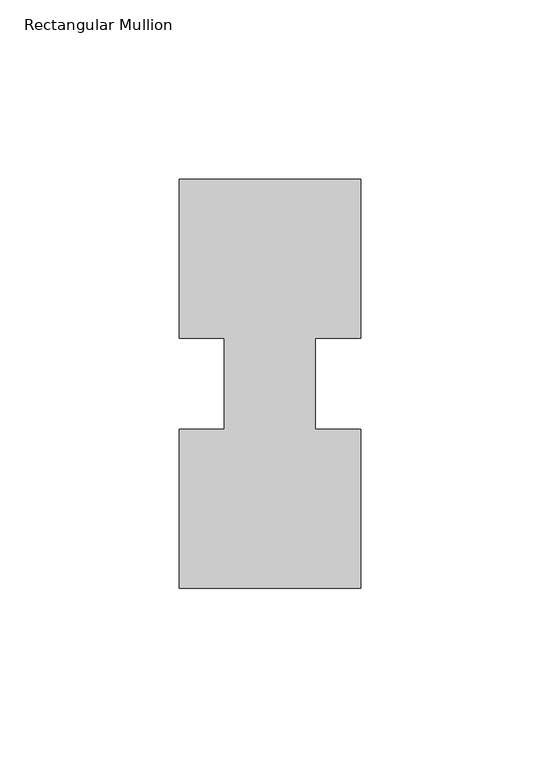
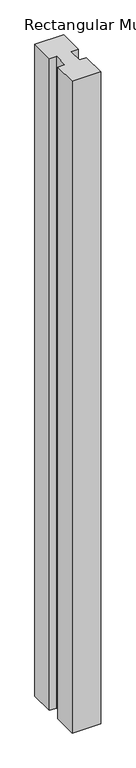
"""IFC4 building model written with IfcOpenShell, lengths in millimetres: member geometry, Rectangular Mullion."""

from ifc_helpers import new_model, si_unit, frame, origin, place, context, project, spatial, polyline, outline, extrude, source, transform, mapped, element, save


def rectangular_mullion_62911961(model_context):
    return source(origin(), model_context, "Body", "SweptSolid", [
        extrude(outline(polyline([(29.7344027, 57.15), (29.7344027, 12.7), (17.0326322, 12.7), (17.0326322, -12.7), (29.7344027, -12.7), (29.7344027, -57.15), (-21.0655973, -57.15), (-21.0655973, -12.7), (-8.3655973, -12.7), (-8.3655973, 12.7), (-21.0655973, 12.7), (-21.0655973, 57.15), (29.7344027, 57.15)])), frame((0.0, 0.0, -1219.2), z_axis=(0.0, 0.0, 1.0), x_axis=(1.0, 0.0, 0.0)), (0.0, 0.0, 1.0), 1219.2),
    ])


if __name__ == "__main__":
    model = new_model("IFC4")
    model_context = context("Model", 3, world=origin())
    ifc_project = project(units=[si_unit("LENGTHUNIT", "METRE", prefix="MILLI")], contexts=[model_context])
    site = spatial("IfcSite", under=ifc_project)
    building = spatial("IfcBuilding", under=site)
    placement = place(None, origin())
    rectangular_mullion_shape = rectangular_mullion_62911961(model_context)
    element("IfcMember", 1, ObjectType="Rectangular Mullion", at=placement, inside=building, context=model_context, shape_type="MappedRepresentation", body=[
        mapped(rectangular_mullion_shape, transform((0.0, 0.0, 0.0), x_axis=(1.0, 0.0, 0.0), y_axis=(0.0, 1.0, 0.0), z_axis=(0.0, 0.0, 1.0))),
    ])
    save(model, "model.ifc")
